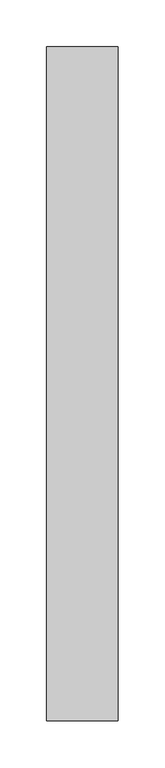
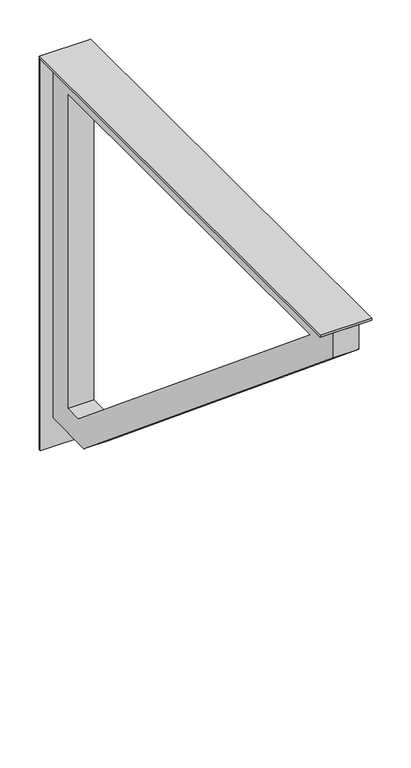
"""IFC4 building model written with IfcOpenShell, lengths in millimetres: furniture geometry."""

from ifc_helpers import new_model, si_unit, frame, origin, place, context, project, spatial, polyline, outline, extrude, source, transform, mapped, element, save


def furniture_778e9f0f(model_context):
    return source(origin(), model_context, "Body", "SweptSolid", [
        extrude(outline(polyline([(56.5854669, 123.825), (-19.3622951, 123.825), (-19.3622951, 127.0), (56.5854669, 127.0), (56.5854669, 123.825)])), frame((0.0, 0.0, 300.86745), z_axis=(0.0, 0.0, 1.0), x_axis=(1.0, 0.0, 0.0)), (0.0, 0.0, 1.0), 610.35755),
        extrude(outline(polyline([(-590.55, 911.0551237), (123.825, 911.0551237), (123.825, 345.7352473), (45.2477269, 345.7352473), (-590.55, 872.9551237), (-590.55, 911.0551237)]), holes=[polyline([(-531.2768998, 872.9551237), (58.9986546, 383.9328855), (85.725, 383.9328855), (85.725, 872.9551237), (-531.2768998, 872.9551237)])]), frame((-0.6368516, 0.0, 0.0), z_axis=(1.0, 0.0, 0.0), x_axis=(0.0, 1.0, 0.0)), (0.0, 0.0, 1.0), 38.1),
        extrude(outline(polyline([(-19.3622951, 127.0), (56.5854669, 127.0), (56.5854669, -590.55), (-19.3622951, -590.55), (-19.3622951, 127.0)])), frame((0.0, 0.0, 911.225), z_axis=(0.0, 0.0, 1.0), x_axis=(1.0, 0.0, 0.0)), (0.0, 0.0, 1.0), 3.175),
    ])


if __name__ == "__main__":
    model = new_model("IFC4")
    model_context = context("Model", 3, world=origin())
    ifc_project = project(units=[si_unit("LENGTHUNIT", "METRE", prefix="MILLI")], contexts=[model_context])
    site = spatial("IfcSite", under=ifc_project)
    building = spatial("IfcBuilding", under=site)
    placement = place(None, origin())
    furniture_shape = furniture_778e9f0f(model_context)
    element("IfcFurniture", 1, at=placement, inside=building, context=model_context, shape_type="MappedRepresentation", body=[
        mapped(furniture_shape, transform((0.0, 0.0, 0.0), x_axis=(1.0, 0.0, 0.0), y_axis=(0.0, 1.0, 0.0), z_axis=(0.0, 0.0, 1.0))),
    ])
    save(model, "model.ifc")
